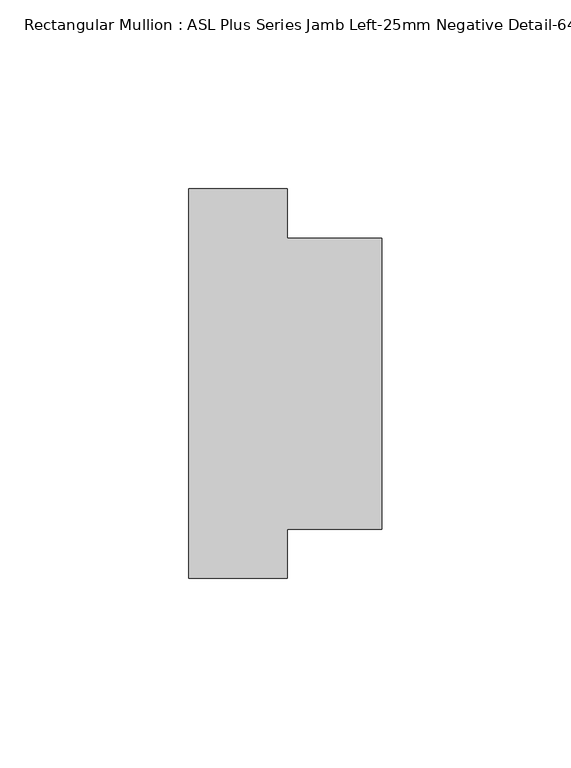
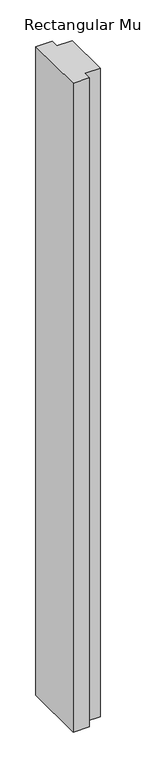
"""IFC4 building model written with IfcOpenShell, lengths in millimetres: member geometry, Rectangular Mullion : ASL Plus Series Jamb Left-25mm Negative Detail-64mm Stud."""

from ifc_helpers import new_model, si_unit, frame, origin, place, context, project, spatial, polyline, outline, extrude, source, transform, mapped, element, save


def rectangular_mullion_asl_plus_series_jamb_left_25mm_negative_e5edd246(model_context):
    return source(origin(), model_context, "Body", "SweptSolid", [
        extrude(outline(polyline([(-51.0, 51.5), (-25.0, 51.5), (-25.0, 38.5), (0.0, 38.5), (0.0, -38.5), (-25.0, -38.5), (-25.0, -51.5), (-51.0, -51.5), (-51.0, 51.5)])), frame((0.0, 0.0, -1100.0), z_axis=(0.0, 0.0, 1.0), x_axis=(1.0, 0.0, 0.0)), (0.0, 0.0, 1.0), 1100.0),
    ])


if __name__ == "__main__":
    model = new_model("IFC4")
    model_context = context("Model", 3, world=origin())
    ifc_project = project(units=[si_unit("LENGTHUNIT", "METRE", prefix="MILLI")], contexts=[model_context])
    site = spatial("IfcSite", under=ifc_project)
    building = spatial("IfcBuilding", under=site)
    placement = place(None, origin())
    rectangular_mullion_asl_plus_series_jamb_left_25mm_negative_shape = rectangular_mullion_asl_plus_series_jamb_left_25mm_negative_e5edd246(model_context)
    element("IfcMember", 1, ObjectType="Rectangular Mullion : ASL Plus Series Jamb Left-25mm Negative Detail-64mm Stud", at=placement, inside=building, context=model_context, shape_type="MappedRepresentation", body=[
        mapped(rectangular_mullion_asl_plus_series_jamb_left_25mm_negative_shape, transform((0.0, 0.0, 0.0), x_axis=(1.0, 0.0, 0.0), y_axis=(0.0, 1.0, 0.0), z_axis=(0.0, 0.0, 1.0))),
    ])
    save(model, "model.ifc")
